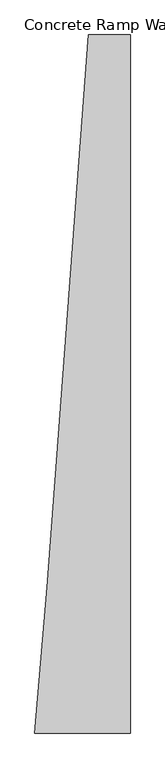
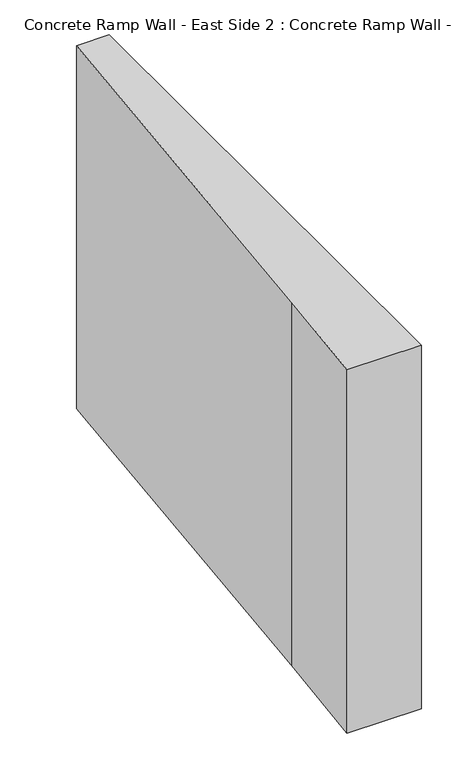
"""IFC4 building model written with IfcOpenShell, lengths in millimetres: beam geometry, Concrete Ramp Wall - East Side 2 : Concrete Ramp Wall - East Side 1."""

from ifc_helpers import new_model, si_unit, frame, origin, place, context, project, spatial, polyline, outline, extrude, source, transform, mapped, element, save


def concrete_ramp_wall_east_side_2_concrete_ramp_wall_east_side_bbc1fc79(model_context):
    return source(origin(), model_context, "Body", "SweptSolid", [
        extrude(outline(polyline([(229186.3493366, 213729.6411995), (229432.0250868, 217021.2875459), (229682.0250868, 217021.2875459), (229682.0250868, 212862.7095895), (229112.1186927, 212862.7095895), (229186.3493366, 213729.6411995)])), frame((0.0, 0.0, -650.0), z_axis=(0.0, 0.0, 1.0), x_axis=(1.0, 0.0, 0.0)), (0.0, 0.0, 1.0), 2950.0),
    ])


if __name__ == "__main__":
    model = new_model("IFC4")
    model_context = context("Model", 3, world=origin())
    ifc_project = project(units=[si_unit("LENGTHUNIT", "METRE", prefix="MILLI")], contexts=[model_context])
    site = spatial("IfcSite", under=ifc_project)
    building = spatial("IfcBuilding", under=site)
    placement = place(None, origin())
    concrete_ramp_wall_east_side_2_concrete_ramp_wall_east_side_shape = concrete_ramp_wall_east_side_2_concrete_ramp_wall_east_side_bbc1fc79(model_context)
    element("IfcBeam", 1, ObjectType="Concrete Ramp Wall - East Side 2 : Concrete Ramp Wall - East Side 1", at=placement, inside=building, context=model_context, shape_type="MappedRepresentation", body=[
        mapped(concrete_ramp_wall_east_side_2_concrete_ramp_wall_east_side_shape, transform((0.0, 0.0, 0.0), x_axis=(1.0, 0.0, 0.0), y_axis=(0.0, 1.0, 0.0), z_axis=(0.0, 0.0, 1.0))),
    ])
    save(model, "model.ifc")
